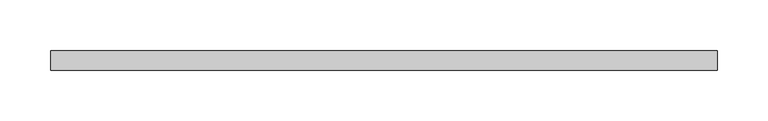
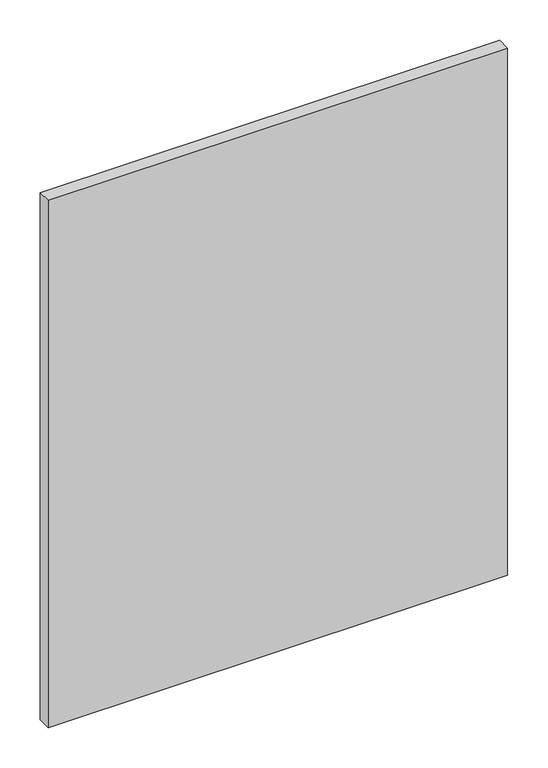
"""IFC4 building model written with IfcOpenShell, lengths in millimetres: proxy geometry."""

from ifc_helpers import new_model, si_unit, frame, origin, place, context, project, spatial, polyline, outline, extrude, source, transform, mapped, element, save


def specialty_equipment_8bba3ede(model_context):
    return source(origin(), model_context, "Body", "SweptSolid", [
        extrude(outline(polyline([(328.3204, 0.0), (328.3204, -19.05), (-328.3204, -19.05), (-328.3204, 0.0), (328.3204, 0.0)])), frame((0.0, 0.0, 3.175), z_axis=(0.0, 0.0, 1.0), x_axis=(1.0, 0.0, 0.0)), (0.0, 0.0, 1.0), 796.0868001),
    ])


if __name__ == "__main__":
    model = new_model("IFC4")
    model_context = context("Model", 3, world=origin())
    ifc_project = project(units=[si_unit("LENGTHUNIT", "METRE", prefix="MILLI")], contexts=[model_context])
    site = spatial("IfcSite", under=ifc_project)
    building = spatial("IfcBuilding", under=site)
    placement = place(None, origin())
    specialty_equipment_shape = specialty_equipment_8bba3ede(model_context)
    element("IfcBuildingElementProxy", 1, Name="Specialty Equipment", at=placement, inside=building, context=model_context, shape_type="MappedRepresentation", body=[
        mapped(specialty_equipment_shape, transform((0.0, 0.0, 0.0), x_axis=(1.0, 0.0, 0.0), y_axis=(0.0, 1.0, 0.0), z_axis=(0.0, 0.0, 1.0))),
    ])
    save(model, "model.ifc")
